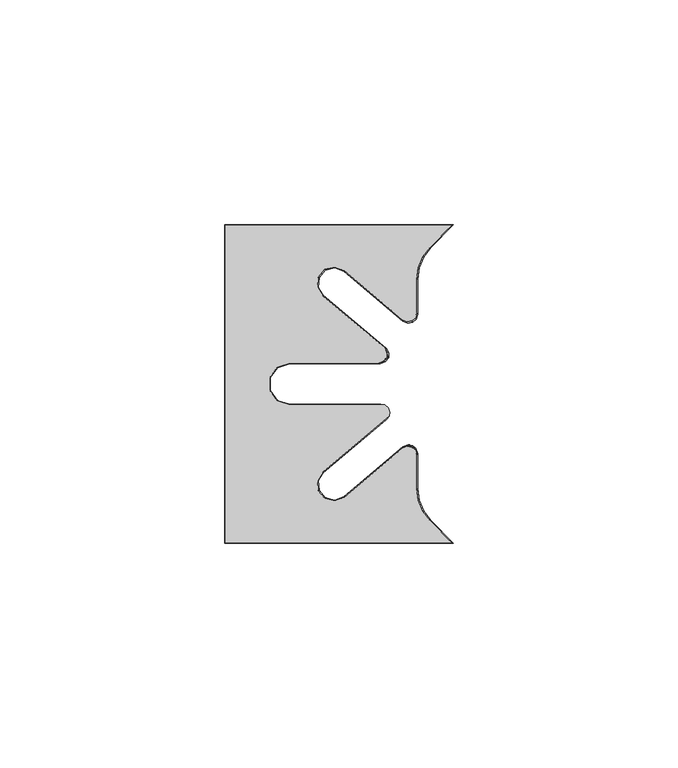
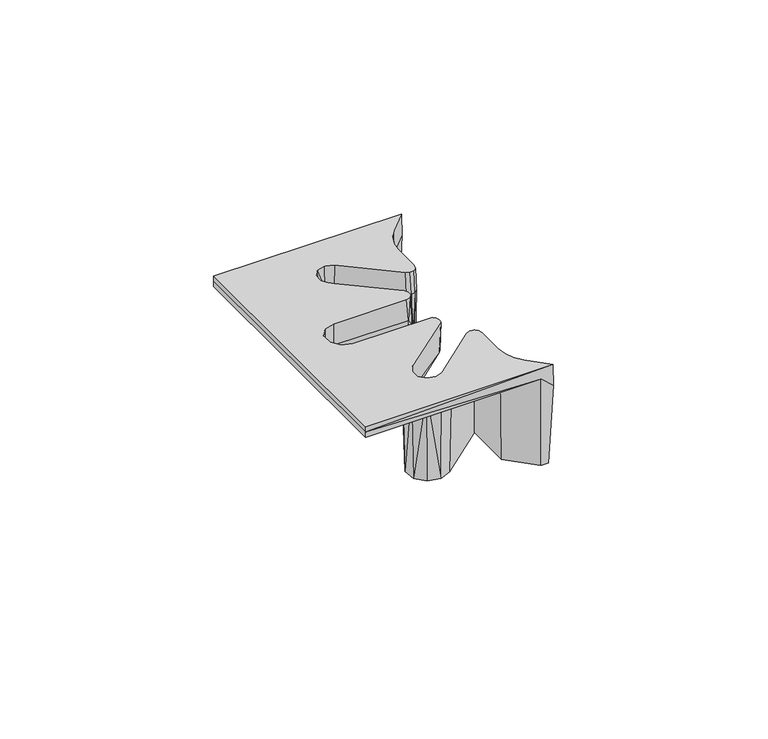
"""IFC4 building model written with IfcOpenShell, lengths in millimetres: furniture geometry."""

from ifc_helpers import new_model, si_unit, origin, place, context, project, spatial, triangles, source, transform, mapped, element, save


def furniture_b6085bb6(model_context):
    return source(origin(), model_context, "Body", "Tessellation", [
        triangles([(3255.7428531, 1601.2801211, 716.9999851), (3253.6578423, 1601.2801211, 716.9999851), (3251.4938392, 1605.6081273, 716.9999851), (3246.9768548, 1608.0851564, 716.9999851), (3249.8488452, 1607.785102, 716.9999851), (3248.8168587, 1610.3111106, 716.9999851), (3248.4648453, 1613.0171228, 716.9999851), (3246.9768548, 1620.6391139, 716.9999851), (3248.4648453, 1621.0961354, 716.9999851), (3248.2648575, 1621.7811227, 716.9999851), (3247.7288437, 1622.2511521, 716.9999851), (3247.0238359, 1622.3591397, 716.9999851), (3246.3708234, 1622.072166, 716.9999851), (3232.9398482, 1610.8021417, 716.9999851), (3233.8958582, 1609.6621677, 716.9999851), (3230.7718483, 1608.3791064, 716.9999851), (3230.5758573, 1609.8561238, 716.9999851), (3227.4808427, 1609.1391618, 716.9999851), (3228.1118362, 1610.4981631, 716.9999851), (3225.23683, 1611.6621183, 716.9999851), (3226.5098264, 1612.4761674, 716.9999851), (3224.8648324, 1615.0191081, 716.9999851), (3226.3928278, 1615.0191081, 716.9999851), (3251.9048243, 1606.0120998, 739.0000231), (3256.9268288, 1600.896133, 739.0000231), (3253.474823, 1600.8431565, 741.9999853), (3256.7588522, 1600.8431565, 745.0000202), (3206.040836, 1600.8171407, 743.4999664), (3206.0668519, 1600.8431565, 741.9999853), (3230.7378387, 1607.9391624, 741.9999853), (3234.1758556, 1609.3281037, 741.9999853), (3246.5408349, 1607.9071149, 741.9999853), (3246.5408349, 1619.7031245, 741.9999853), (3206.0668519, 1671.7911515, 741.9999853), (3213.8838529, 1634.154132, 741.9999853), (3216.42683, 1630.6541276, 741.9999853), (3224.497849, 1615.3761357, 741.9999853), (3220.540823, 1629.3171453, 741.9999853), (3226.4628453, 1618.5201299, 741.9999853), (3239.3298288, 1629.3171453, 741.9999853), (3253.474823, 1671.7911515, 741.9999853), (3230.7378387, 1664.6951457, 741.9999853), (3227.1398389, 1663.7981074, 741.9999853), (3224.7568448, 1660.9571471, 741.9999853), (3234.1758556, 1663.3061317, 741.9999853), (3246.5408349, 1664.7271205, 741.9999853), (3246.5408349, 1652.9311109, 741.9999853), (3224.497849, 1657.2580997, 741.9999853), (3216.42683, 1641.9801078, 741.9999853), (3213.8838529, 1638.4801034, 741.9999853), (3220.540823, 1643.3171628, 741.9999853), (3226.4628453, 1654.1141055, 741.9999853), (3239.3298288, 1643.3171628, 741.9999853), (3224.7568448, 1611.6771609, 741.9999853), (3227.1398389, 1608.836128, 741.9999853), (3206.0668519, 1600.8431565, 745.0000202), (3230.5748399, 1610.2761563, 745.0000202), (3228.3818415, 1610.8231433, 745.0000202), (3226.9288416, 1612.5541423, 745.0000202), (3251.7928399, 1605.9011327, 745.0000202), (3232.6698429, 1611.123125, 745.0000202), (3250.2138302, 1607.9931562, 745.0000202), (3249.2218485, 1610.4181535, 745.0000202), (3248.8838241, 1613.0171228, 745.0000202), (3245.5988502, 1621.9711547, 745.0000202), (3248.8838241, 1620.4401435, 745.0000202), (3246.623824, 1622.423162, 745.0000202), (3247.7298248, 1622.2531142, 745.0000202), (3248.5708345, 1621.5151506, 745.0000202), (3226.770857, 1614.8091645, 745.0000202), (3217.8038535, 1632.5491428, 745.0000202), (3216.1118419, 1634.878143, 745.0000202), (3220.540823, 1631.6600982, 745.0000202), (3227.968858, 1616.726126, 745.0000202), (3241.7638372, 1631.6600982, 745.0000202), (3242.700844, 1629.0871448, 744.9990028), (3242.4668466, 1630.9791078, 745.0000202), (3242.8008379, 1630.0601232, 745.0000202), (3216.1118419, 1637.756165, 745.0000202), (3206.0668519, 1671.7911515, 745.0000202), (3217.8038535, 1640.0851653, 745.0000202), (3226.770857, 1657.8251435, 745.0000202), (3220.540823, 1640.9741372, 745.0000202), (3227.968858, 1655.9081094, 745.0000202), (3240.2738482, 1640.9741372, 745.0000202), (3241.5588352, 1644.505099, 745.0000202), (3241.4218523, 1641.3351617, 745.0000202), (3242.1548381, 1642.2891006, 745.0000202), (3242.2058524, 1643.4901174, 745.0000202), (3226.9288416, 1660.0801658, 745.0000202), (3228.3818415, 1661.8111648, 745.0000202), (3230.5748399, 1662.3581517, 745.0000202), (3232.6698429, 1661.5111104, 745.0000202), (3251.7928399, 1666.7331027, 745.0000202), (3256.7588522, 1671.7911515, 745.0000202), (3245.5988502, 1650.6631534, 745.0000202), (3248.8838241, 1659.6171126, 745.0000202), (3249.2218485, 1662.2161546, 745.0000202), (3250.2138302, 1664.6411519, 745.0000202), (3248.8838241, 1652.1941646, 745.0000202), (3246.623824, 1650.2111461, 745.0000202), (3247.7298248, 1650.3811212, 745.0000202), (3248.5708345, 1651.1191575, 745.0000202), (3251.9048243, 1666.6221357, 739.0000231), (3256.9268288, 1671.7381024, 739.0000231), (3206.040836, 1671.8171674, 743.4999664), (3253.6578423, 1671.3541143, 716.9999851), (3255.7428531, 1671.3541143, 716.9999851), (3246.9768548, 1664.5491517, 716.9999851), (3251.4938392, 1667.0261081, 716.9999851), (3227.485857, 1616.0671546, 736.9999998), (3224.8088401, 1616.0671546, 736.9999998), (3227.485857, 1656.5671535, 736.9999998), (3224.8088401, 1656.5671535, 736.9999998), (3226.3928278, 1657.6151273, 716.9999851), (3224.8648324, 1657.6151273, 716.9999851), (3225.5298354, 1617.3561021, 736.9999998), (3228.0358234, 1616.6461164, 736.9999998), (3226.5188375, 1618.4541455, 736.9999998), (3239.5688404, 1629.4041312, 736.9999998), (3242.0098251, 1628.3711274, 737.0010172), (3242.6308264, 1629.3461406, 736.9999998), (3242.5808295, 1630.5001399, 736.9999998), (3241.876839, 1631.4171624, 736.9999998), (3240.7748351, 1631.7651063, 737.0010172), (3220.540823, 1631.7651063, 736.9999998), (3220.540823, 1629.4041312, 736.9999998), (3217.8648236, 1632.6341666, 737.0069761), (3216.4778443, 1630.7241088, 736.9999998), (3216.2108548, 1634.9101178, 736.9999998), (3213.966842, 1634.1811652, 736.9999998), (3213.966842, 1638.4531428, 736.9999998), (3216.2108548, 1637.7241176, 736.9999998), (3216.4778443, 1641.9101266, 736.9999998), (3217.8648236, 1640.0001414, 736.9999998), (3220.540823, 1643.2301042, 736.9999998), (3220.540823, 1640.8691291, 736.9999998), (3239.5688404, 1643.2301042, 736.9999998), (3240.7748351, 1640.8691291, 736.9999998), (3241.876839, 1641.2161283, 737.0230362), (3242.5808295, 1642.1341682, 736.9999998), (3242.6318438, 1643.2891122, 737.0230362), (3242.0098251, 1644.263108, 736.9999998), (3228.0358234, 1655.988119, 736.9999998), (3226.5188375, 1654.1801625, 736.9999998), (3225.5298354, 1655.2781333, 736.9999998), (3226.9238273, 1614.7711581, 739.0000231), (3228.069833, 1616.6051305, 739.0000231), (3227.0738545, 1612.6131503, 739.0000231), (3228.4648306, 1610.9561294, 739.0000231), (3230.5638304, 1610.4331235, 739.0000231), (3232.5688316, 1611.2431031, 739.0000231), (3249.0328339, 1620.7741347, 739.2920111), (3249.0408276, 1613.0171228, 739.0000231), (3245.76283, 1622.3081254, 739.1710155), (3249.0408276, 1659.6171126, 739.0000231), (3249.0408276, 1651.8401164, 738.9990057), (3248.7308538, 1650.7761552, 738.9009739), (3247.8908251, 1650.0371015, 738.8809896), (3246.7848243, 1649.8691611, 738.9009739), (3245.7688253, 1650.3151368, 738.9990057), (3232.5688316, 1661.3911323, 739.0000231), (3230.5638304, 1662.2011119, 739.0000231), (3228.4648306, 1661.678106, 739.0000231), (3227.0738545, 1660.0211578, 739.0000231), (3226.9238273, 1657.8631499, 739.0000231), (3228.069833, 1656.0291049, 739.0000231), (3225.23683, 1660.9721172, 716.9999851), (3227.4808427, 1663.4951463, 716.9999851), (3230.7718483, 1664.255129, 716.9999851), (3233.8958582, 1662.9721404, 716.9999851), (3246.9768548, 1651.9951215, 716.9999851), (3248.4648453, 1651.5381, 716.9999851), (3248.4648453, 1659.6171126, 716.9999851), (3249.8488452, 1664.8491334, 716.9999851), (3248.8168587, 1662.3231248, 716.9999851), (3248.2648575, 1650.8531127, 716.9999851), (3247.7288437, 1650.3831559, 716.9999851), (3247.0238359, 1650.2750957, 716.9999851), (3246.3708234, 1650.5621421, 716.9999851), (3232.9398482, 1661.8321664, 716.9999851), (3230.5758573, 1662.7781116, 716.9999851), (3228.1118362, 1662.1361449, 716.9999851), (3226.5098264, 1660.1581407, 716.9999851), (3248.6338394, 1622.00015, 738.9979883), (3247.8908251, 1622.599096, 739.0000231), (3246.9538547, 1622.7830964, 738.9979883), (3250.349832, 1608.0701137, 739.0000231), (3249.3738378, 1610.4591394, 739.0000231), (3240.7408255, 1640.8170974, 738.9939915), (3242.6038295, 1642.1251571, 738.7549799), (3242.0168378, 1644.3251681, 738.9939915), (3220.540823, 1631.817138, 739.0000231), (3216.2608517, 1634.9261052, 739.0000231), (3216.2608517, 1637.7081302, 739.0000231), (3217.8958537, 1639.9581382, 739.0000231), (3220.540823, 1640.8170974, 739.0000231), (3250.349832, 1664.5641217, 739.0000231), (3249.3738378, 1662.175096, 739.0000231), (3248.8428383, 1621.363125, 741.0320211), (3247.8818504, 1622.5161069, 740.1070049), (3246.3328534, 1622.5331117, 741.0320211)], [[1, 2, 3], [4, 3, 2], [3, 4, 5], [5, 4, 6], [7, 6, 4], [8, 7, 4], [7, 8, 9], [10, 9, 8], [10, 8, 11], [11, 8, 12], [12, 8, 13], [13, 8, 14], [14, 8, 15], [14, 15, 16], [14, 16, 17], [17, 16, 18], [17, 18, 19], [19, 18, 20], [19, 20, 21], [21, 20, 22], [21, 22, 23], [1, 3, 24], [1, 24, 25], [2, 1, 25], [2, 25, 26], [26, 25, 27], [28, 26, 27], [28, 29, 26], [29, 30, 26], [26, 30, 31], [26, 31, 32], [32, 31, 33], [34, 35, 29], [29, 35, 36], [29, 36, 37], [37, 36, 38], [37, 38, 39], [39, 38, 40], [41, 42, 34], [34, 42, 43], [34, 43, 44], [42, 41, 45], [45, 41, 46], [45, 46, 47], [34, 44, 48], [34, 48, 49], [34, 49, 50], [49, 48, 51], [51, 48, 52], [51, 52, 53], [34, 50, 35], [37, 54, 29], [29, 54, 55], [29, 55, 30], [28, 27, 56], [32, 4, 2], [32, 2, 26], [27, 57, 56], [56, 57, 58], [56, 58, 59], [27, 60, 57], [57, 60, 61], [61, 60, 62], [61, 62, 63], [63, 64, 61], [61, 64, 65], [65, 64, 66], [65, 66, 67], [67, 66, 68], [68, 66, 69], [56, 59, 70], [56, 70, 71], [56, 71, 72], [71, 70, 73], [73, 70, 74], [73, 74, 75], [75, 74, 76], [75, 76, 77], [77, 76, 78], [56, 72, 79], [56, 79, 80], [80, 79, 81], [80, 81, 82], [82, 81, 83], [82, 83, 84], [84, 83, 85], [84, 85, 86], [86, 85, 87], [86, 87, 88], [88, 89, 86], [82, 90, 80], [80, 90, 91], [80, 91, 92], [92, 93, 94], [92, 94, 95], [80, 92, 95], [96, 97, 93], [93, 97, 98], [93, 98, 99], [97, 96, 100], [100, 96, 101], [100, 101, 102], [102, 103, 100], [93, 99, 94], [95, 94, 104], [95, 104, 105], [106, 95, 41], [41, 95, 105], [41, 105, 107], [107, 105, 108], [41, 34, 106], [95, 106, 80], [41, 107, 46], [46, 107, 109], [105, 104, 108], [108, 104, 110], [111, 23, 112], [112, 23, 22], [113, 114, 115], [115, 114, 116], [112, 117, 111], [118, 111, 117], [118, 117, 119], [118, 119, 120], [118, 120, 121], [122, 121, 120], [122, 120, 123], [123, 120, 124], [124, 120, 125], [125, 120, 126], [126, 120, 127], [128, 126, 127], [128, 127, 129], [130, 128, 129], [130, 129, 131], [130, 131, 132], [130, 132, 133], [133, 132, 134], [133, 134, 135], [135, 134, 136], [135, 136, 137], [137, 136, 138], [137, 138, 139], [140, 139, 138], [140, 138, 141], [141, 138, 142], [142, 138, 143], [143, 138, 144], [144, 138, 145], [144, 145, 146], [144, 146, 113], [113, 146, 114], [117, 112, 37], [37, 112, 22], [37, 22, 54], [54, 22, 20], [54, 20, 55], [55, 20, 18], [55, 18, 16], [16, 15, 31], [16, 31, 30], [16, 30, 55], [37, 39, 117], [117, 39, 119], [147, 111, 148], [148, 111, 118], [147, 149, 21], [147, 21, 23], [147, 23, 111], [21, 149, 19], [19, 149, 150], [19, 150, 151], [151, 152, 14], [151, 14, 17], [151, 17, 19], [61, 152, 151], [61, 151, 57], [57, 151, 150], [57, 150, 58], [58, 150, 149], [58, 149, 59], [59, 149, 147], [59, 147, 70], [70, 147, 74], [74, 147, 148], [153, 66, 64], [153, 64, 154], [61, 65, 155], [61, 155, 152], [97, 100, 156], [156, 100, 157], [157, 100, 103], [157, 103, 158], [158, 103, 102], [158, 102, 159], [159, 102, 160], [160, 102, 101], [160, 101, 161], [161, 101, 96], [106, 34, 29], [106, 29, 28], [163, 162, 93], [163, 93, 92], [163, 92, 91], [163, 91, 164], [164, 91, 90], [164, 90, 165], [165, 90, 82], [165, 82, 166], [166, 82, 84], [166, 84, 167], [116, 114, 48], [116, 48, 44], [116, 44, 168], [168, 44, 43], [168, 43, 169], [169, 43, 42], [169, 42, 170], [170, 42, 45], [170, 45, 171], [48, 114, 146], [48, 146, 52], [52, 146, 145], [172, 47, 109], [109, 47, 46], [157, 173, 174], [157, 174, 156], [108, 110, 107], [107, 110, 109], [109, 110, 175], [109, 175, 176], [109, 176, 174], [109, 174, 172], [173, 172, 174], [172, 173, 177], [177, 178, 172], [172, 178, 179], [172, 179, 180], [180, 181, 172], [172, 181, 171], [171, 181, 170], [170, 181, 182], [170, 182, 169], [169, 182, 183], [169, 183, 168], [168, 183, 184], [168, 184, 116], [116, 184, 115], [181, 162, 163], [181, 163, 182], [182, 163, 164], [182, 164, 183], [183, 164, 165], [183, 165, 184], [184, 165, 166], [184, 166, 115], [115, 166, 113], [113, 166, 167], [113, 167, 144], [13, 14, 155], [155, 14, 152], [153, 9, 10], [153, 10, 185], [185, 10, 11], [185, 11, 186], [186, 11, 187], [187, 11, 12], [155, 187, 12], [155, 12, 13], [188, 24, 3], [188, 3, 5], [189, 188, 5], [189, 5, 6], [189, 6, 7], [7, 154, 189], [138, 53, 145], [145, 53, 52], [138, 136, 53], [53, 136, 51], [51, 136, 134], [51, 134, 49], [49, 134, 132], [49, 132, 50], [50, 132, 131], [50, 131, 35], [35, 131, 129], [35, 129, 36], [36, 129, 38], [38, 129, 127], [120, 40, 127], [127, 40, 38], [8, 4, 33], [33, 4, 32], [120, 119, 40], [40, 119, 39], [8, 33, 15], [15, 33, 31], [172, 171, 47], [47, 171, 45], [28, 56, 80], [28, 80, 106], [78, 76, 122], [122, 76, 121], [122, 123, 78], [78, 123, 77], [77, 123, 124], [77, 124, 75], [75, 124, 125], [190, 139, 140], [191, 140, 141], [191, 141, 142], [142, 143, 192], [85, 190, 87], [87, 190, 140], [87, 140, 191], [142, 89, 191], [191, 89, 88], [191, 88, 87], [142, 192, 89], [89, 192, 86], [73, 75, 193], [193, 75, 125], [167, 84, 86], [167, 86, 192], [162, 181, 161], [161, 181, 180], [161, 96, 162], [162, 96, 93], [73, 193, 71], [71, 193, 128], [71, 128, 194], [71, 194, 72], [72, 194, 195], [72, 195, 79], [79, 195, 196], [79, 196, 81], [81, 196, 197], [81, 197, 83], [198, 104, 94], [198, 94, 99], [199, 198, 99], [199, 99, 98], [199, 98, 97], [97, 156, 199], [76, 74, 148], [76, 148, 121], [148, 118, 121], [83, 197, 85], [85, 197, 190], [197, 137, 190], [190, 137, 139], [153, 200, 66], [66, 200, 69], [69, 200, 201], [69, 201, 68], [67, 68, 201], [67, 201, 202], [67, 202, 65], [65, 202, 155], [199, 156, 174], [199, 174, 176], [198, 199, 176], [198, 176, 175], [104, 198, 175], [104, 175, 110], [161, 180, 160], [160, 180, 179], [160, 179, 159], [159, 179, 178], [159, 178, 177], [159, 177, 158], [158, 177, 173], [157, 158, 173], [143, 144, 192], [192, 144, 167], [126, 128, 193], [128, 130, 194], [194, 130, 133], [194, 133, 195], [195, 133, 135], [195, 135, 196], [197, 196, 135], [197, 135, 137], [125, 126, 193], [9, 153, 7], [7, 153, 154], [25, 24, 27], [27, 24, 60], [60, 24, 62], [62, 24, 188], [62, 188, 63], [63, 188, 189], [63, 189, 64], [64, 189, 154], [153, 185, 201], [153, 201, 200], [185, 186, 201], [201, 186, 187], [201, 187, 155], [201, 155, 202]]),
    ])


if __name__ == "__main__":
    model = new_model("IFC4")
    model_context = context("Model", 3, world=origin())
    ifc_project = project(units=[si_unit("LENGTHUNIT", "METRE", prefix="MILLI")], contexts=[model_context])
    site = spatial("IfcSite", under=ifc_project)
    building = spatial("IfcBuilding", under=site)
    placement = place(None, origin())
    furniture_shape = furniture_b6085bb6(model_context)
    element("IfcFurniture", 1, at=placement, inside=building, context=model_context, shape_type="MappedRepresentation", body=[
        mapped(furniture_shape, transform((0.0, 0.0, 0.0), x_axis=(1.0, 0.0, 0.0), y_axis=(0.0, 1.0, 0.0), z_axis=(0.0, 0.0, 1.0))),
    ])
    save(model, "model.ifc")
